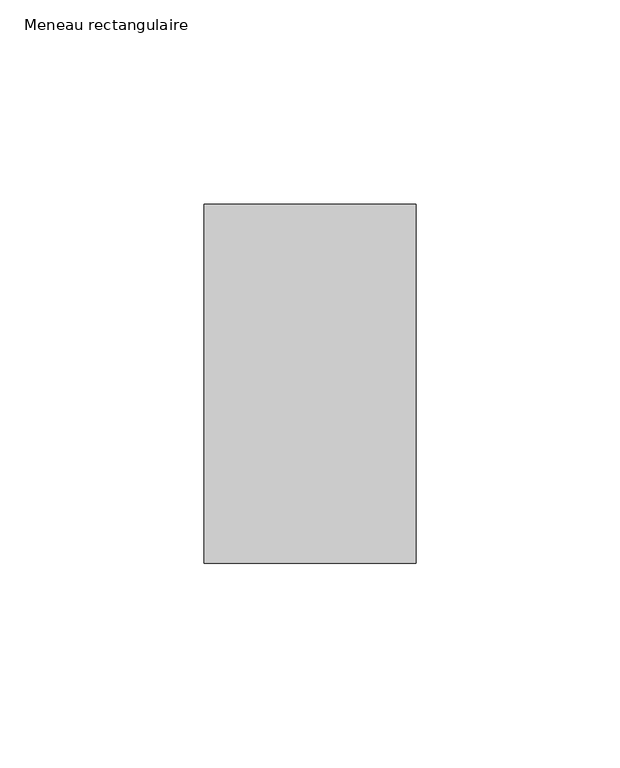
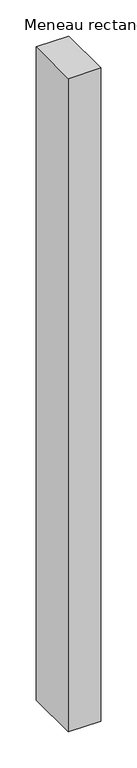
"""IFC4 building model written with IfcOpenShell, lengths in millimetres: member geometry, Meneau rectangulaire."""

from ifc_helpers import new_model, si_unit, frame, origin, place, context, project, spatial, polyline, outline, extrude, source, transform, mapped, element, save


def meneau_rectangulaire_5eb27656(model_context):
    return source(origin(), model_context, "Body", "SweptSolid", [
        extrude(outline(polyline([(-52.0, 44.0), (0.0, 44.0), (0.0, -44.0), (-52.0, -44.0), (-52.0, 44.0)])), frame((0.0, 0.0, -1102.2499998), z_axis=(0.0, 0.0, 1.0), x_axis=(1.0, 0.0, 0.0)), (0.0, 0.0, 1.0), 1102.2499998),
    ])


if __name__ == "__main__":
    model = new_model("IFC4")
    model_context = context("Model", 3, world=origin())
    ifc_project = project(units=[si_unit("LENGTHUNIT", "METRE", prefix="MILLI")], contexts=[model_context])
    site = spatial("IfcSite", under=ifc_project)
    building = spatial("IfcBuilding", under=site)
    placement = place(None, origin())
    meneau_rectangulaire_shape = meneau_rectangulaire_5eb27656(model_context)
    element("IfcMember", 1, ObjectType="Meneau rectangulaire", at=placement, inside=building, context=model_context, shape_type="MappedRepresentation", body=[
        mapped(meneau_rectangulaire_shape, transform((0.0, 0.0, 0.0), x_axis=(1.0, 0.0, 0.0), y_axis=(0.0, 1.0, 0.0), z_axis=(0.0, 0.0, 1.0))),
    ])
    save(model, "model.ifc")
